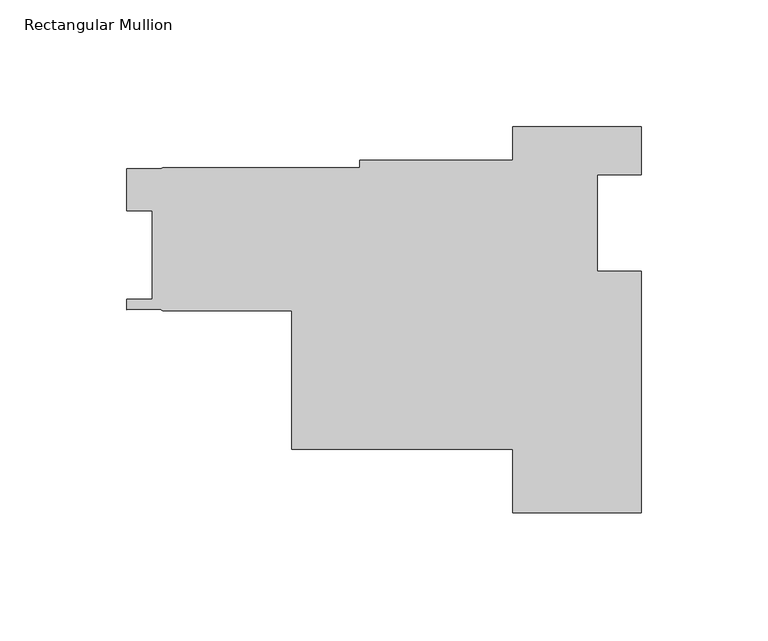
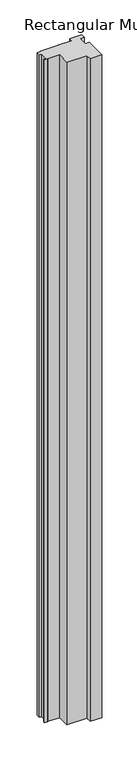
"""IFC4 building model written with IfcOpenShell, lengths in millimetres: member geometry, Rectangular Mullion."""

from ifc_helpers import new_model, si_unit, frame, origin, place, context, project, spatial, polyline, outline, extrude, source, transform, mapped, element, save


def rectangular_mullion_233f3b82(model_context):
    return source(origin(), model_context, "Body", "SweptSolid", [
        extrude(outline(polyline([(-163.5252, -16.1798), (-85.725, -16.1798), (-85.725, -13.3096), (-25.4, -13.3096), (-25.4, 0.0), (25.4, 0.0), (25.4, -19.05), (7.9502, -19.05), (7.9502, -57.1500019), (25.4, -57.1500019), (25.4, -152.4), (-25.4, -152.4), (-25.4, -127.3556), (-112.6998, -127.3556), (-112.6998, -72.6694), (-163.5252, -72.6694), (-164.6286731, -72.1500899), (-177.8127, -72.20585), (-177.8127, -68.2371), (-167.767, -68.2371), (-167.767, -33.2993997), (-177.7999998, -33.2993997), (-177.7999998, -16.6369999), (-164.3170934, -16.6369999), (-163.5252, -16.1798)])), frame((0.0, 0.0, -3048.0), z_axis=(0.0, 0.0, 1.0), x_axis=(1.0, 0.0, 0.0)), (0.0, 0.0, 1.0), 3048.0),
    ])


if __name__ == "__main__":
    model = new_model("IFC4")
    model_context = context("Model", 3, world=origin())
    ifc_project = project(units=[si_unit("LENGTHUNIT", "METRE", prefix="MILLI")], contexts=[model_context])
    site = spatial("IfcSite", under=ifc_project)
    building = spatial("IfcBuilding", under=site)
    placement = place(None, origin())
    rectangular_mullion_shape = rectangular_mullion_233f3b82(model_context)
    element("IfcMember", 1, ObjectType="Rectangular Mullion", at=placement, inside=building, context=model_context, shape_type="MappedRepresentation", body=[
        mapped(rectangular_mullion_shape, transform((0.0, 0.0, 0.0), x_axis=(1.0, 0.0, 0.0), y_axis=(0.0, 1.0, 0.0), z_axis=(0.0, 0.0, 1.0))),
    ])
    save(model, "model.ifc")
